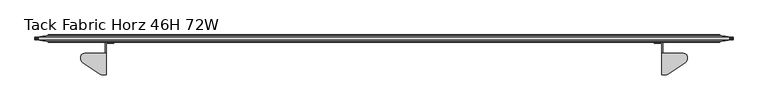
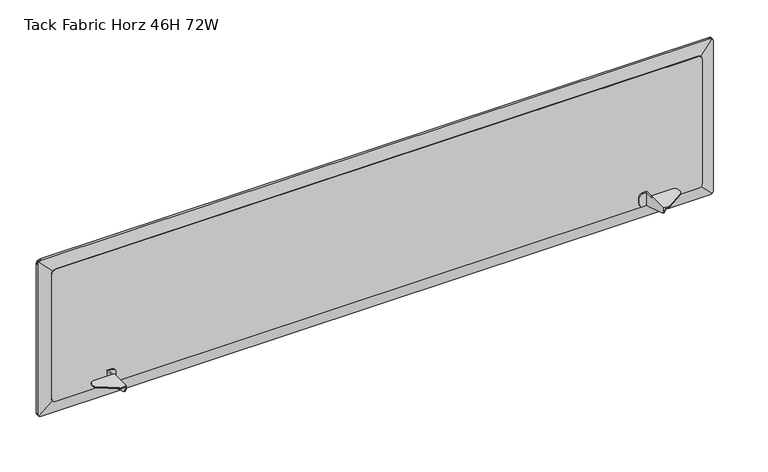
"""IFC4 building model written with IfcOpenShell, lengths in millimetres: furniture geometry, Tack Fabric Horz 46H 72W."""

from ifc_helpers import new_model, si_unit, frame, origin, place, context, project, spatial, polyline, outline, extrude, faceted_brep, source, transform, mapped, element, save


def tack_fabric_horz_46h_72w_351eea44(model_context):
    return source(origin(), model_context, "Body", "SolidModel", [
        faceted_brep([(1643.6339971, -22.2279076, 760.4561954), (1640.586, -22.2279076, 760.4561954), (1630.8070002, -22.2279076, 760.4561954), (1630.8070002, -19.1799082, 760.4561954), (1643.6339971, -19.1799082, 760.4561954), (1640.586, -47.3739083, 802.7979423), (1640.586, -104.0159091, 802.7979423), (1651.6893012, -104.0159091, 802.7979423), (1653.533956, -103.8355785, 802.7979423), (1655.3087569, -103.3014269, 802.7979423), (1656.9465021, -102.4336701, 802.7979423), (1702.6122013, -72.2082031, 802.7979423), (1704.8947927, -70.0858512, 802.7979423), (1706.3700478, -67.340268, 802.7979423), (1706.8800004, -64.2654421, 802.7979423), (1706.8800004, -56.8989086, 802.7979423), (1705.6038973, -52.136408, 802.7979423), (1702.1175004, -48.6500162, 802.7979423), (1697.3550004, -47.3739083, 802.7979423), (1640.586, -104.0159091, 795.1665041), (1643.6339971, -104.0159091, 795.1665041), (1643.6339971, -104.0159091, 799.7499452), (1651.6893012, -104.0159091, 799.7499452), (1621.2820002, -19.1799082, 769.9811954), (1621.2820002, -22.2279076, 769.9811954), (1621.2820002, -22.2279076, 788.1929472), (1621.2820002, -19.1799082, 788.1929472), (1626.0445002, -19.1799082, 761.7322803), (1622.5581033, -19.1799082, 765.2186954), (1622.5581033, -19.1799082, 792.9554472), (1626.0445002, -19.1799082, 796.4418623), (1630.8070002, -19.1799082, 797.7179472), (1643.6339971, -19.1799082, 797.7179472), (1643.6339971, -47.3739083, 799.7499452), (1697.3550004, -47.3739083, 799.7499452), (1702.1175004, -48.6500162, 799.7499452), (1705.6038973, -52.136408, 799.7499452), (1706.8800004, -56.8989086, 799.7499452), (1706.8800004, -64.2654421, 799.7499452), (1706.3700478, -67.340268, 799.7499452), (1704.8947927, -70.0858512, 799.7499452), (1702.6122013, -72.2082031, 799.7499452), (1656.9465021, -102.4336701, 799.7499452), (1655.3087569, -103.3014269, 799.7499452), (1653.533956, -103.8355785, 799.7499452), (1643.6339971, -102.6650422, 789.4667793), (1643.6339971, -98.8998242, 784.9795532), (1643.6339971, -93.5212417, 782.6594913), (1643.6339971, -47.3739083, 797.7179472), (1640.586, -47.3739083, 797.7179472), (1640.586, -93.5212417, 782.6594913), (1640.586, -98.8998242, 784.9795532), (1640.586, -102.6650422, 789.4667793), (1630.8070002, -22.2279076, 797.7179472), (1640.586, -22.2279076, 797.7179472), (1626.0445002, -22.2279076, 796.4418623), (1622.5581033, -22.2279076, 792.9554472), (1622.5581033, -22.2279076, 765.2186954), (1626.0445002, -22.2279076, 761.7322803)], [[[0, 1, 2, 3, 4]], [[5, 6, 7, 8, 9, 10, 11, 12, 13, 14, 15, 16, 17, 18]], [[7, 6, 19, 20, 21, 22]], [[23, 24, 25, 26]], [[3, 27, 28, 23, 26, 29, 30, 31, 32, 4]], [[33, 34, 35, 36, 37, 38, 39, 40, 41, 42, 43, 44, 22, 21]], [[21, 20, 45, 46, 47, 0, 4, 32, 48, 33]], [[5, 18, 34, 33, 48, 49]], [[17, 35, 34, 18]], [[16, 36, 35, 17]], [[15, 37, 36, 16]], [[14, 38, 37, 15]], [[13, 39, 38, 14]], [[12, 40, 39, 13]], [[11, 41, 40, 12]], [[10, 42, 41, 11]], [[9, 43, 42, 10]], [[8, 44, 43, 9]], [[7, 22, 44, 8]], [[47, 50, 1, 0]], [[46, 51, 50, 47]], [[45, 52, 51, 46]], [[20, 19, 52, 45]], [[32, 31, 53, 54, 49, 48]], [[30, 55, 53, 31]], [[29, 56, 55, 30]], [[26, 25, 56, 29]], [[28, 57, 24, 23]], [[27, 58, 57, 28]], [[2, 58, 27, 3]], [[1, 50, 51, 52, 19, 6, 5, 49, 54]], [[54, 53, 55, 56, 25, 24, 57, 58, 2, 1]]]),
        faceted_brep([(185.1660029, -22.2279076, 760.4561954), (185.1660029, -19.1799082, 760.4561954), (197.9929998, -19.1799082, 760.4561954), (197.9929998, -22.2279076, 760.4561954), (188.214, -22.2279076, 760.4561954), (188.214, -47.3739083, 802.7979423), (131.4449996, -47.3739083, 802.7979423), (126.6824996, -48.6500162, 802.7979423), (123.1961027, -52.136408, 802.7979423), (121.9199996, -56.8989086, 802.7979423), (121.9199996, -64.2654421, 802.7979423), (122.4299522, -67.340268, 802.7979423), (123.9052073, -70.0858512, 802.7979423), (126.1877987, -72.2082031, 802.7979423), (171.8534979, -102.4336701, 802.7979423), (173.4912431, -103.3014269, 802.7979423), (175.266044, -103.8355785, 802.7979423), (177.1106988, -104.0159091, 802.7979423), (188.214, -104.0159091, 802.7979423), (177.1106988, -104.0159091, 799.7499452), (185.1660029, -104.0159091, 799.7499452), (185.1660029, -104.0159091, 795.1665041), (188.214, -104.0159091, 795.1665041), (207.5179998, -19.1799082, 769.9811954), (207.5179998, -19.1799082, 788.1929472), (207.5179998, -22.2279076, 788.1929472), (207.5179998, -22.2279076, 769.9811954), (185.1660029, -19.1799082, 797.7179472), (197.9929998, -19.1799082, 797.7179472), (202.7554998, -19.1799082, 796.4418623), (206.2418967, -19.1799082, 792.9554472), (206.2418967, -19.1799082, 765.2186954), (202.7554998, -19.1799082, 761.7322803), (185.1660029, -47.3739083, 799.7499452), (175.266044, -103.8355785, 799.7499452), (173.4912431, -103.3014269, 799.7499452), (171.8534979, -102.4336701, 799.7499452), (126.1877987, -72.2082031, 799.7499452), (123.9052073, -70.0858512, 799.7499452), (122.4299522, -67.340268, 799.7499452), (121.9199996, -64.2654421, 799.7499452), (121.9199996, -56.8989086, 799.7499452), (123.1961027, -52.136408, 799.7499452), (126.6824996, -48.6500162, 799.7499452), (131.4449996, -47.3739083, 799.7499452), (185.1660029, -47.3739083, 797.7179472), (185.1660029, -93.5212417, 782.6594913), (185.1660029, -98.8998242, 784.9795532), (185.1660029, -102.6650422, 789.4667793), (188.214, -47.3739083, 797.7179472), (188.214, -93.5212417, 782.6594913), (188.214, -98.8998242, 784.9795532), (188.214, -102.6650422, 789.4667793), (188.214, -22.2279076, 797.7179472), (197.9929998, -22.2279076, 797.7179472), (202.7554998, -22.2279076, 796.4418623), (206.2418967, -22.2279076, 792.9554472), (206.2418967, -22.2279076, 765.2186954), (202.7554998, -22.2279076, 761.7322803)], [[[0, 1, 2, 3, 4]], [[5, 6, 7, 8, 9, 10, 11, 12, 13, 14, 15, 16, 17, 18]], [[17, 19, 20, 21, 22, 18]], [[23, 24, 25, 26]], [[2, 1, 27, 28, 29, 30, 24, 23, 31, 32]], [[33, 20, 19, 34, 35, 36, 37, 38, 39, 40, 41, 42, 43, 44]], [[20, 33, 45, 27, 1, 0, 46, 47, 48, 21]], [[5, 49, 45, 33, 44, 6]], [[7, 6, 44, 43]], [[8, 7, 43, 42]], [[9, 8, 42, 41]], [[10, 9, 41, 40]], [[11, 10, 40, 39]], [[12, 11, 39, 38]], [[13, 12, 38, 37]], [[14, 13, 37, 36]], [[15, 14, 36, 35]], [[16, 15, 35, 34]], [[17, 16, 34, 19]], [[46, 0, 4, 50]], [[47, 46, 50, 51]], [[48, 47, 51, 52]], [[21, 48, 52, 22]], [[27, 45, 49, 53, 54, 28]], [[29, 28, 54, 55]], [[30, 29, 55, 56]], [[24, 30, 56, 25]], [[31, 23, 26, 57]], [[32, 31, 57, 58]], [[3, 2, 32, 58]], [[4, 53, 49, 5, 18, 22, 52, 51, 50]], [[53, 4, 3, 58, 57, 26, 25, 56, 55, 54]]]),
        extrude(outline(polyline([(1133.602, 1781.9178925), (1133.602, 46.8257121), (1132.9159549, 43.184392), (1131.8278673, 40.7952556), (1130.5466955, 39.2079102), (1128.6346029, 37.7230447), (1126.3089454, 36.7081476), (1123.6517493, 36.322), (767.1186553, 36.322), (764.4614592, 36.7081476), (762.1358017, 37.7230447), (760.2237091, 39.2079102), (758.9425373, 40.7952556), (757.8544497, 43.184392), (757.2248, 46.5263823), (757.2248, 1782.2172223), (757.8544497, 1785.5592125), (758.9425373, 1787.9483489), (760.2237091, 1789.5356944), (762.1358017, 1791.0205599), (764.4614592, 1792.035457), (767.5067288, 1792.478), (1123.2636758, 1792.478), (1126.3089454, 1792.035457), (1128.6346029, 1791.0205599), (1130.5466955, 1789.5356944), (1131.8278673, 1787.9483489), (1132.9159549, 1785.5592125), (1133.602, 1781.9178925)])), frame((0.0, -19.05, 0.0), z_axis=(0.0, 1.0, 0.0), x_axis=(0.0, 0.0, 1.0)), (0.0, 0.0, 1.0), 19.05),
        faceted_brep([(1789.2466046, -1.27, 760.4561954), (1789.2466046, -1.27, 1130.3706046), (1824.3341432, -6.201232, 1165.4581432), (1825.8749553, -6.417779, 1163.4740069), (1826.8898524, -6.5604135, 1161.1483494), (1827.276, -6.614683, 1158.4911533), (1827.276, -6.614683, 732.3356467), (1826.8898524, -6.5604135, 729.6784506), (1825.8749553, -6.417779, 727.3527931), (1824.3341432, -6.201232, 725.3686568), (1789.2466046, -17.78, 1130.3706046), (1789.2466046, -17.78, 760.4561954), (1824.3341432, -12.5994806, 725.3686568), (1825.8749553, -12.3719865, 727.3527931), (1826.8898524, -12.2221415, 729.6784506), (1827.276, -12.1651285, 732.3356467), (1827.276, -12.1651285, 1158.4911533), (1826.8898524, -12.2221415, 1161.1483494), (1825.8749553, -12.3719865, 1163.4740069), (1824.3341432, -12.5994806, 1165.4581432), (39.5533954, -1.27, 760.4561954), (1822.8027444, -6.3711638, 724.1595287), (1820.413608, -6.5240846, 723.0714411), (1816.9920479, -6.614683, 722.4268), (11.8079521, -6.614683, 722.4268), (8.386392, -6.5240846, 723.0714411), (5.9972556, -6.3711638, 724.1595287), (4.479154, -6.1989614, 725.3848127), (39.5533954, -17.78, 760.4561954), (4.4658568, -12.5994806, 725.3686568), (5.9972556, -12.4209582, 724.1595287), (8.386392, -12.2603069, 723.0714411), (11.8079521, -12.1651285, 722.4268), (1816.9920479, -12.1651285, 722.4268), (1820.413608, -12.2603069, 723.0714411), (1822.8027444, -12.4209582, 724.1595287), (39.5533954, -1.27, 1130.3706046), (2.9250447, -6.417779, 727.3527931), (1.9101476, -6.5604135, 729.6784506), (1.524, -6.614683, 732.3356467), (1.524, -6.614683, 1158.4911533), (1.9101476, -6.5604135, 1161.1483494), (2.9250447, -6.417779, 1163.4740069), (4.4658568, -6.201232, 1165.4581432), (39.5533954, -17.78, 1130.3706046), (4.4658568, -12.5994806, 1165.4581432), (2.9250447, -12.3719865, 1163.4740069), (1.9101476, -12.2221415, 1161.1483494), (1.524, -12.1651285, 1158.4911533), (1.524, -12.1651285, 732.3356467), (1.9101476, -12.2221415, 729.6784506), (2.9250447, -12.3719865, 727.3527931), (5.9972556, -6.3711638, 1166.6672713), (8.386392, -6.5240846, 1167.7553589), (11.8079521, -6.614683, 1168.4), (1816.9920479, -6.614683, 1168.4), (1820.413608, -6.5240846, 1167.7553589), (1822.8027444, -6.3711638, 1166.6672713), (1822.8027444, -12.4209582, 1166.6672713), (1820.413608, -12.2603069, 1167.7553589), (1816.9920479, -12.1651285, 1168.4), (11.8079521, -12.1651285, 1168.4), (8.386392, -12.2603069, 1167.7553589), (5.9972556, -12.4209582, 1166.6672713)], [[[0, 1, 2, 3, 4, 5, 6, 7, 8, 9]], [[10, 11, 12, 13, 14, 15, 16, 17, 18, 19]], [[20, 0, 9, 21, 22, 23, 24, 25, 26, 27]], [[11, 28, 29, 30, 31, 32, 33, 34, 35, 12]], [[36, 20, 27, 37, 38, 39, 40, 41, 42, 43]], [[28, 44, 45, 46, 47, 48, 49, 50, 51, 29]], [[1, 36, 43, 52, 53, 54, 55, 56, 57, 2]], [[44, 10, 19, 58, 59, 60, 61, 62, 63, 45]], [[1, 0, 11, 10]], [[0, 20, 28, 11]], [[20, 36, 44, 28]], [[36, 1, 10, 44]], [[5, 16, 15, 6]], [[23, 33, 32, 24]], [[48, 40, 39, 49]], [[54, 61, 60, 55]], [[41, 47, 46, 42]], [[45, 43, 42, 46]], [[43, 45, 63, 52]], [[52, 63, 62, 53]], [[53, 62, 61, 54]], [[47, 41, 40, 48]], [[3, 18, 17, 4]], [[2, 19, 18, 3]], [[19, 2, 57, 58]], [[58, 57, 56, 59]], [[59, 56, 55, 60]], [[4, 17, 16, 5]], [[7, 14, 13, 8]], [[12, 9, 8, 13]], [[9, 12, 35, 21]], [[21, 35, 34, 22]], [[22, 34, 33, 23]], [[14, 7, 6, 15]], [[37, 51, 50, 38]], [[27, 29, 51, 37]], [[29, 27, 26, 30]], [[30, 26, 25, 31]], [[31, 25, 24, 32]], [[38, 50, 49, 39]]]),
    ])


if __name__ == "__main__":
    model = new_model("IFC4")
    model_context = context("Model", 3, world=origin())
    ifc_project = project(units=[si_unit("LENGTHUNIT", "METRE", prefix="MILLI")], contexts=[model_context])
    site = spatial("IfcSite", under=ifc_project)
    building = spatial("IfcBuilding", under=site)
    placement = place(None, origin())
    tack_fabric_horz_46h_72w_shape = tack_fabric_horz_46h_72w_351eea44(model_context)
    element("IfcFurniture", 1, ObjectType="Tack Fabric Horz 46H 72W", at=placement, inside=building, context=model_context, shape_type="MappedRepresentation", body=[
        mapped(tack_fabric_horz_46h_72w_shape, transform((0.0, 0.0, 0.0), x_axis=(1.0, 0.0, 0.0), y_axis=(0.0, 1.0, 0.0), z_axis=(0.0, 0.0, 1.0))),
    ])
    save(model, "model.ifc")
